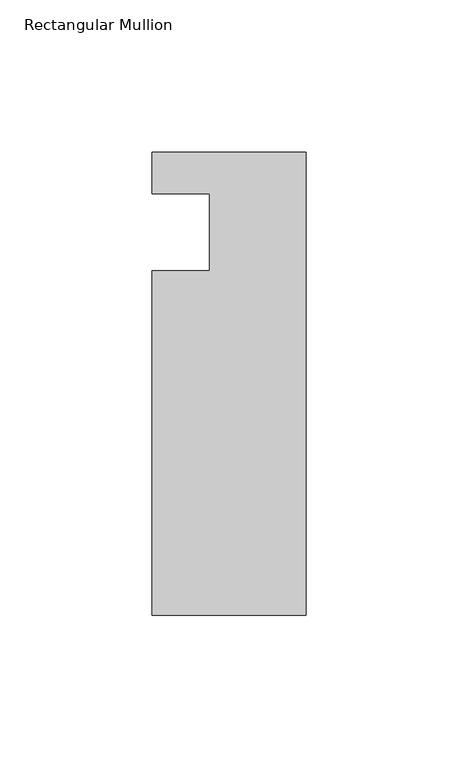
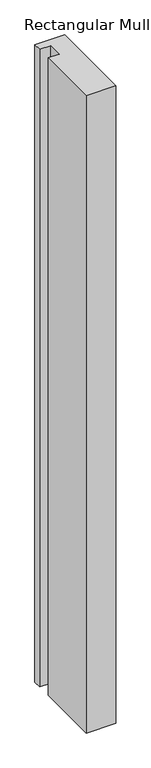
"""IFC4 building model written with IfcOpenShell, lengths in millimetres: member geometry, Rectangular Mullion."""

from ifc_helpers import new_model, si_unit, frame, origin, place, context, project, spatial, polyline, outline, extrude, source, transform, mapped, element, save


def rectangular_mullion_8d729220(model_context):
    return source(origin(), model_context, "Body", "SweptSolid", [
        extrude(outline(polyline([(0.0, 13.672693), (0.0, -138.727307), (-50.8, -138.727307), (-50.8, -25.4), (-31.75, -25.4), (-31.75, 0.0), (-50.8, 0.0), (-50.8, 13.672693), (0.0, 13.672693)])), frame((0.0, 0.0, -1155.7), z_axis=(0.0, 0.0, 1.0), x_axis=(1.0, 0.0, 0.0)), (0.0, 0.0, 1.0), 1155.7),
    ])


if __name__ == "__main__":
    model = new_model("IFC4")
    model_context = context("Model", 3, world=origin())
    ifc_project = project(units=[si_unit("LENGTHUNIT", "METRE", prefix="MILLI")], contexts=[model_context])
    site = spatial("IfcSite", under=ifc_project)
    building = spatial("IfcBuilding", under=site)
    placement = place(None, origin())
    rectangular_mullion_shape = rectangular_mullion_8d729220(model_context)
    element("IfcMember", 1, ObjectType="Rectangular Mullion", at=placement, inside=building, context=model_context, shape_type="MappedRepresentation", body=[
        mapped(rectangular_mullion_shape, transform((0.0, 0.0, 0.0), x_axis=(1.0, 0.0, 0.0), y_axis=(0.0, 1.0, 0.0), z_axis=(0.0, 0.0, 1.0))),
    ])
    save(model, "model.ifc")
